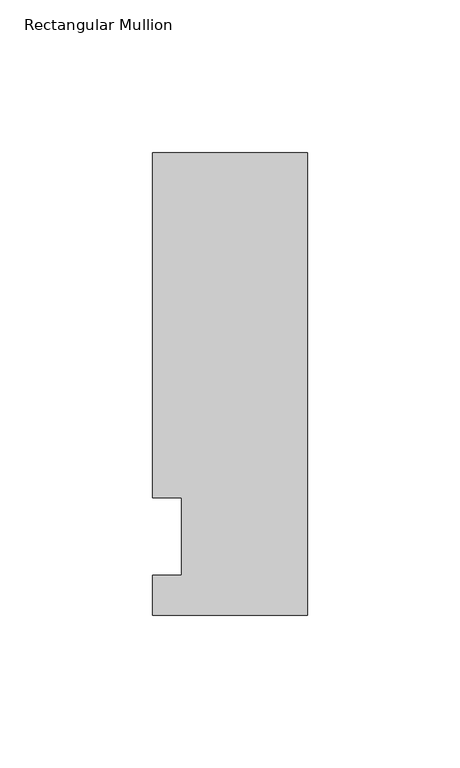
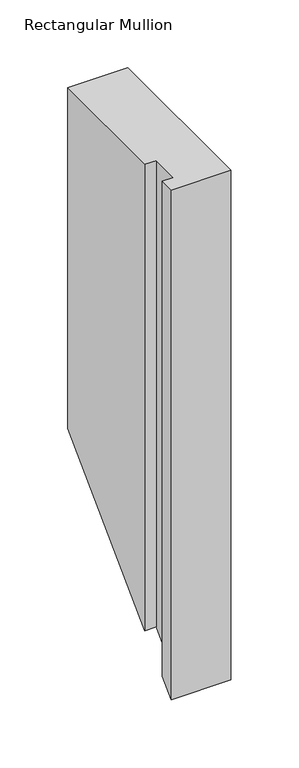
"""IFC4 building model written with IfcOpenShell, lengths in millimetres: member geometry, Rectangular Mullion."""

from ifc_helpers import new_model, si_unit, origin, place, context, project, spatial, faceted_brep, source, transform, mapped, element, save


def rectangular_mullion_fb904dcf(model_context):
    return source(origin(), model_context, "Body", "Brep", [
        faceted_brep([(-50.8, -25.7961253, 0.0), (0.0, -25.7961253, 0.0), (0.0, 125.8036906, 0.0), (-50.8, 125.8036906, 0.0), (-50.8, 12.7, 0.0), (-41.275, 12.7, 0.0), (-41.275, -12.7, 0.0), (-50.8, -12.7, 0.0), (-50.8, -25.7961253, -457.5961253), (0.0, -25.7961253, -457.5961253), (0.0, 125.8036906, -305.9963094), (-50.8, 125.8036906, -305.9963094), (-50.8, 12.7, -419.1), (-41.275, 12.7, -419.1), (-41.275, -12.7, -444.5), (-50.8, -12.7, -444.5)], [[[0, 1, 2, 3, 4, 5, 6, 7]], [[1, 0, 8, 9]], [[2, 1, 9, 10]], [[3, 2, 10, 11]], [[4, 3, 11, 12]], [[5, 4, 12, 13]], [[6, 5, 13, 14]], [[7, 6, 14, 15]], [[0, 7, 15, 8]], [[8, 15, 14, 13, 12, 11, 10, 9]]]),
    ])


if __name__ == "__main__":
    model = new_model("IFC4")
    model_context = context("Model", 3, world=origin())
    ifc_project = project(units=[si_unit("LENGTHUNIT", "METRE", prefix="MILLI")], contexts=[model_context])
    site = spatial("IfcSite", under=ifc_project)
    building = spatial("IfcBuilding", under=site)
    placement = place(None, origin())
    rectangular_mullion_shape = rectangular_mullion_fb904dcf(model_context)
    element("IfcMember", 1, ObjectType="Rectangular Mullion", at=placement, inside=building, context=model_context, shape_type="MappedRepresentation", body=[
        mapped(rectangular_mullion_shape, transform((0.0, 0.0, 0.0), x_axis=(1.0, 0.0, 0.0), y_axis=(0.0, 1.0, 0.0), z_axis=(0.0, 0.0, 1.0))),
    ])
    save(model, "model.ifc")
